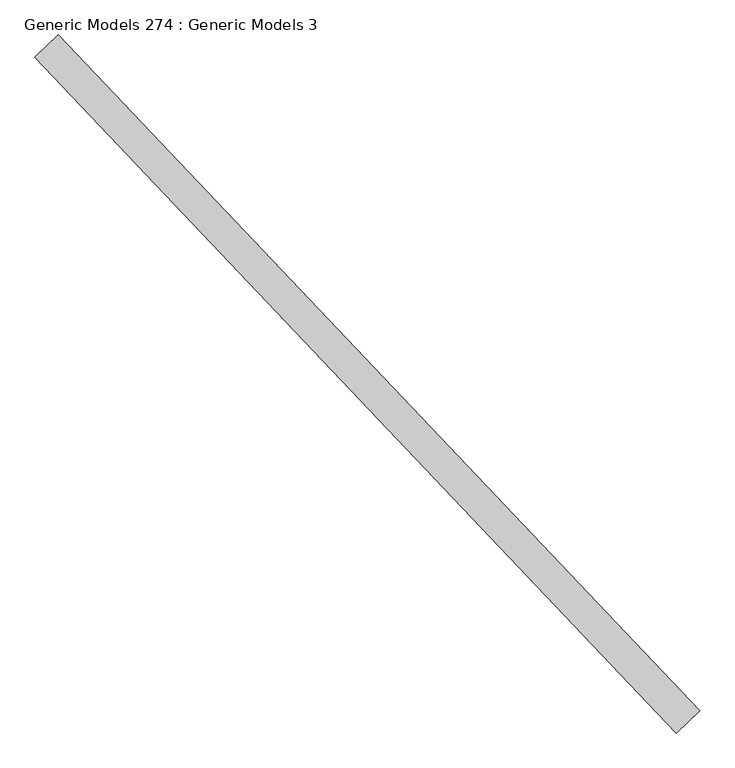
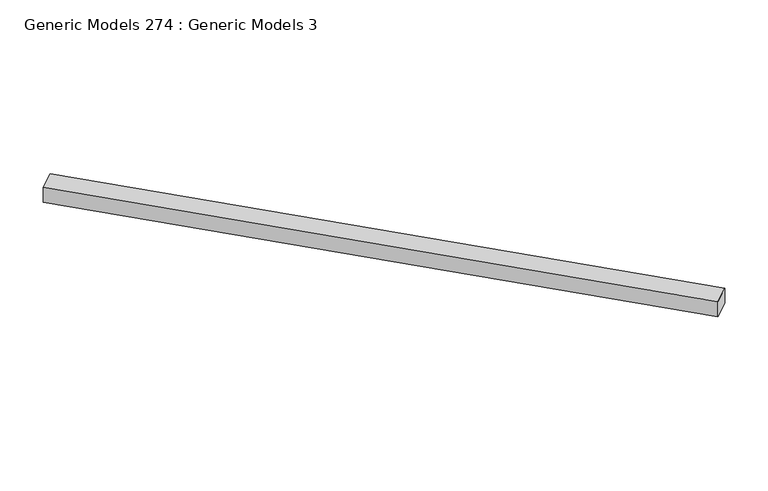
"""IFC4 building model written with IfcOpenShell, lengths in millimetres: proxy geometry, Generic Models 274 : Generic Models 3."""

from ifc_helpers import new_model, si_unit, frame, origin, place, context, project, spatial, polyline, outline, extrude, source, transform, mapped, element, save


def generic_models_274_generic_models_3_919c3e20(model_context):
    return source(origin(), model_context, "Body", "SweptSolid", [
        extrude(outline(polyline([(107485.0414871, 60231.7926237), (107706.1355953, 60441.6030984), (113786.2683093, 54034.4800854), (113565.174201, 53824.6696107), (107485.0414871, 60231.7926237)])), frame((0.0, 0.0, 16166.3960437), z_axis=(0.0, 0.0, 1.0), x_axis=(1.0, 0.0, 0.0)), (0.0, 0.0, 1.0), 229.3039563),
    ])


if __name__ == "__main__":
    model = new_model("IFC4")
    model_context = context("Model", 3, world=origin())
    ifc_project = project(units=[si_unit("LENGTHUNIT", "METRE", prefix="MILLI")], contexts=[model_context])
    site = spatial("IfcSite", under=ifc_project)
    building = spatial("IfcBuilding", under=site)
    placement = place(None, origin())
    generic_models_274_generic_models_3_shape = generic_models_274_generic_models_3_919c3e20(model_context)
    element("IfcBuildingElementProxy", 1, Name="Generic Models 274 : Generic Models 3", ObjectType="Generic Models 274 : Generic Models 3", at=placement, inside=building, context=model_context, shape_type="MappedRepresentation", body=[
        mapped(generic_models_274_generic_models_3_shape, transform((0.0, 0.0, 0.0), x_axis=(1.0, 0.0, 0.0), y_axis=(0.0, 1.0, 0.0), z_axis=(0.0, 0.0, 1.0))),
    ])
    save(model, "model.ifc")
